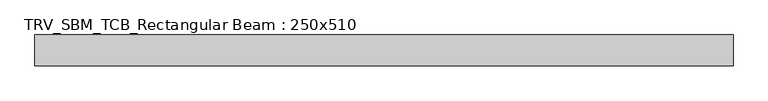
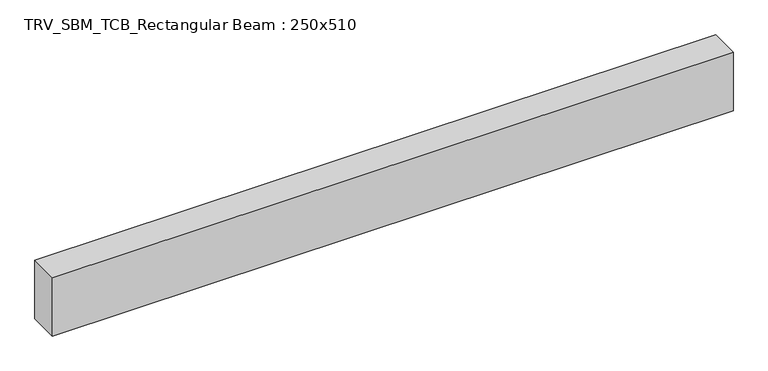
"""IFC4 building model written with IfcOpenShell, lengths in millimetres: beam geometry, TRV_SBM_TCB_Rectangular Beam : 250x510."""

from ifc_helpers import new_model, si_unit, frame, origin, place, context, project, spatial, polyline, outline, extrude, source, transform, mapped, element, save


def trv_sbm_tcb_rectangular_beam_250x510_030c2907(model_context):
    return source(origin(), model_context, "Body", "SweptSolid", [
        extrude(outline(polyline([(2813.7, 125.0), (2813.7, -125.0), (-2813.7, -125.0), (-2813.7, 125.0), (2813.7, 125.0)])), frame((0.0, 0.0, -255.0), z_axis=(0.0, 0.0, 1.0), x_axis=(1.0, 0.0, 0.0)), (0.0, 0.0, 1.0), 510.0),
    ])


if __name__ == "__main__":
    model = new_model("IFC4")
    model_context = context("Model", 3, world=origin())
    ifc_project = project(units=[si_unit("LENGTHUNIT", "METRE", prefix="MILLI")], contexts=[model_context])
    site = spatial("IfcSite", under=ifc_project)
    building = spatial("IfcBuilding", under=site)
    placement = place(None, origin())
    trv_sbm_tcb_rectangular_beam_250x510_shape = trv_sbm_tcb_rectangular_beam_250x510_030c2907(model_context)
    element("IfcBeam", 1, ObjectType="TRV_SBM_TCB_Rectangular Beam : 250x510", at=placement, inside=building, context=model_context, shape_type="MappedRepresentation", body=[
        mapped(trv_sbm_tcb_rectangular_beam_250x510_shape, transform((0.0, 0.0, 0.0), x_axis=(1.0, 0.0, 0.0), y_axis=(0.0, 1.0, 0.0), z_axis=(0.0, 0.0, 1.0))),
    ])
    save(model, "model.ifc")
